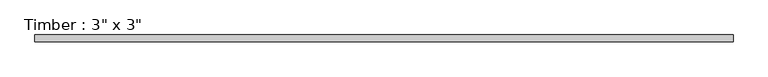
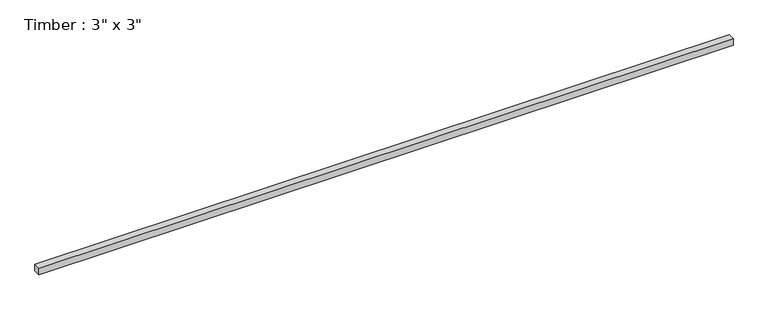
"""IFC4 building model written with IfcOpenShell, lengths in millimetres: beam geometry."""

from ifc_helpers import new_model, si_unit, frame, origin, place, context, project, spatial, polyline, outline, extrude, source, transform, mapped, element, save


def beam_bd58b68f(model_context):
    return source(origin(), model_context, "Body", "SweptSolid", [
        extrude(outline(polyline([(3892.1449084, 38.1), (3892.1449084, -38.1), (-3892.1449084, -38.1), (-3892.1449084, 38.1), (3892.1449084, 38.1)])), frame((0.0, 0.0, -38.1), z_axis=(0.0, 0.0, 1.0), x_axis=(1.0, 0.0, 0.0)), (0.0, 0.0, 1.0), 76.2),
    ])


if __name__ == "__main__":
    model = new_model("IFC4")
    model_context = context("Model", 3, world=origin())
    ifc_project = project(units=[si_unit("LENGTHUNIT", "METRE", prefix="MILLI")], contexts=[model_context])
    site = spatial("IfcSite", under=ifc_project)
    building = spatial("IfcBuilding", under=site)
    placement = place(None, origin())
    beam_shape = beam_bd58b68f(model_context)
    element("IfcBeam", 1, ObjectType="Timber : 3\" x 3\"", at=placement, inside=building, context=model_context, shape_type="MappedRepresentation", body=[
        mapped(beam_shape, transform((0.0, 0.0, 0.0), x_axis=(1.0, 0.0, 0.0), y_axis=(0.0, 1.0, 0.0), z_axis=(0.0, 0.0, 1.0))),
    ])
    save(model, "model.ifc")
